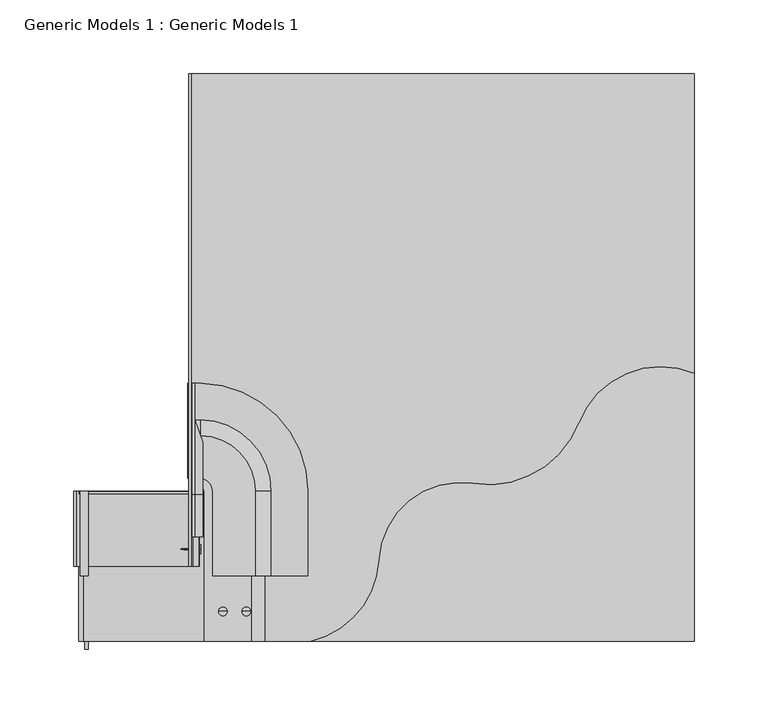
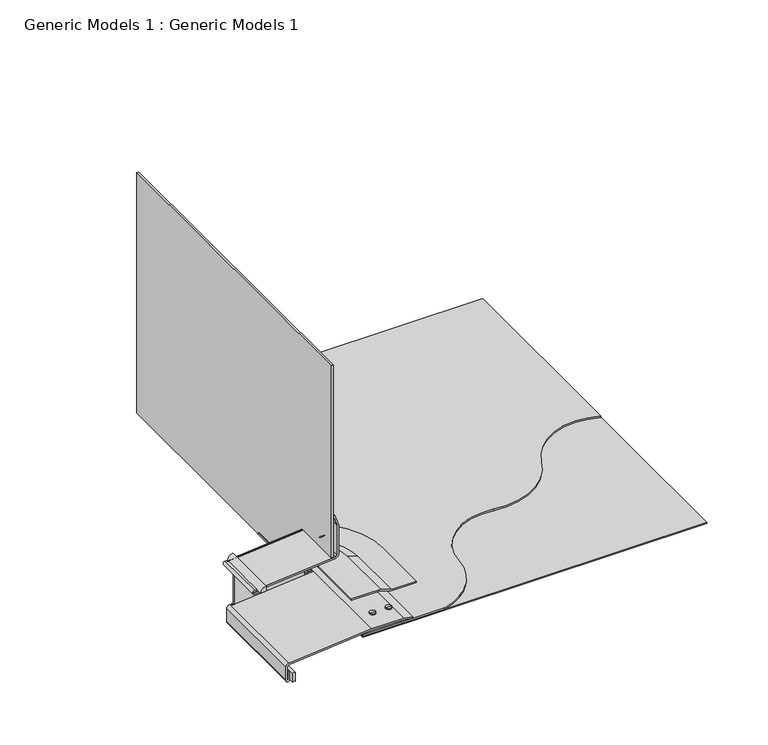
"""IFC4 building model written with IfcOpenShell, lengths in millimetres: proxy geometry, Generic Models 1 : Generic Models 1."""

from ifc_helpers import new_model, si_unit, point, frame, frame_2d, origin, place, context, project, spatial, polyline, circle_curve, trimmed, segment, composite_curve, outline, extrude, source, transform, mapped, element, save
from ifc_brep_helpers import plane_surface, cylinder_surface, revolved_surface, advanced_brep


def generic_models_1_generic_models_1_24d56587(model_context):
    return source(origin(), model_context, "Body", "SolidModel", [
        extrude(outline(composite_curve([segment(polyline([(348.3034303, -25.4), (357.2110691, -25.4)]), True, "CONTINUOUS"), segment(trimmed(circle_curve(frame_2d((357.2110691, -26.590625)), 1.190625), [point((357.2110691, -25.4))], [point((357.2110691, -27.78125))], False, "CARTESIAN"), True, "CONTINUOUS"), segment(polyline([(357.2110691, -27.78125), (348.3034303, -27.78125)]), True, "CONTINUOUS"), segment(trimmed(circle_curve(frame_2d((347.9308483, -26.590625)), 1.2475597), [point((348.3034303, -27.78125))], [point((348.3034303, -25.4))], True, "CARTESIAN"), True, "CONTINUOUS")], self_intersect=False)), frame((0.0, 3.5264576, 0.0), z_axis=(0.0, 1.0, 0.0), x_axis=(0.0, 0.0, 1.0)), (0.0, 0.0, 1.0), 106.9177285),
        extrude(outline(composite_curve([segment(trimmed(circle_curve(frame_2d((412.6374516, -25.4)), 5.394032), [point((418.0314836, -25.4))], [point((412.6374516, -30.794032))], False, "CARTESIAN"), True, "CONTINUOUS"), segment(polyline([(412.6374516, -30.794032), (413.1278182, -25.4), (418.0314836, -25.4)]), True, "CONTINUOUS")], self_intersect=False)), frame((0.0, 53.2941862, 0.0), z_axis=(0.0, 1.0, 0.0), x_axis=(0.0, 0.0, 1.0)), (0.0, 0.0, 1.0), 57.15),
        extrude(outline(composite_curve([segment(polyline([(44.45, 393.8469389), (385.7625, 393.8469389), (385.7625, 190.5484479)]), True, "CONTINUOUS"), segment(trimmed(circle_curve(frame_2d((362.7557693, 135.6910091)), 59.4865384), [point((385.7625, 190.5484479))], [point((307.2749003, 157.1507719))], True, "CARTESIAN"), True, "CONTINUOUS"), segment(trimmed(circle_curve(frame_2d((245.9110735, 180.8860377)), 65.7942405), [point((307.2749003, 157.1507719))], [point((235.7845032, 115.8757719))], False, "CARTESIAN"), True, "CONTINUOUS"), segment(trimmed(circle_curve(frame_2d((227.2163171, 60.8699764)), 55.6691239), [point((235.7845032, 115.8757719))], [point((171.6311041, 63.9253737))], True, "CARTESIAN"), True, "CONTINUOUS"), segment(trimmed(circle_curve(frame_2d((111.7794323, 67.2152888)), 59.9420233), [point((171.6311041, 63.9253737))], [point((125.4125, 8.8441862))], False, "CARTESIAN"), True, "CONTINUOUS"), segment(polyline([(125.4125, 8.8441862), (44.45, 8.8441862), (44.45, 393.8469389)]), True, "CONTINUOUS")], self_intersect=False)), frame((0.0, 0.0, 367.8873414), z_axis=(0.0, 0.0, 1.0), x_axis=(1.0, 0.0, 0.0)), (0.0, 0.0, 1.0), 1.5875),
        extrude(outline(polyline([(44.45, 393.8469389), (385.7625, 393.8469389), (385.7625, 8.8441862), (44.45, 8.8441862), (44.45, 393.8469389)])), frame((0.0, 0.0, 367.0935914), z_axis=(0.0, 0.0, 1.0), x_axis=(1.0, 0.0, 0.0)), (0.0, 0.0, 1.0), 0.79375),
        advanced_brep(
        [(37.30625, 71.3046159, 436.504844), (39.221851, 71.3046159, 436.2696378), (39.221851, 71.3046159, 436.7400502), (50.00625, 71.3046159, 436.2696378), (50.00625, 71.3046159, 436.7400502), (50.00625, 71.3046159, 433.5468939), (50.00625, 71.3046159, 439.4627941), (50.8, 71.3046159, 433.5468939), (50.8, 71.3046159, 439.4627941), (50.8, 71.3046159, 436.504844)],
        [
            (0, 1),
            (1, 2, circle_curve(frame((39.221851, 71.3046159, 436.504844), z_axis=(-1.0, 0.0, 0.0), x_axis=(0.0, 0.0, -1.0)), 0.2352062)),
            (2, 0),
            (2, 1, circle_curve(frame((39.221851, 71.3046159, 436.504844), z_axis=(-1.0, 0.0, 0.0), x_axis=(0.0, 0.0, -1.0)), 0.2352062)),
            (1, 3),
            (3, 4, circle_curve(frame((50.00625, 71.3046159, 436.504844), z_axis=(-1.0, 0.0, 0.0), x_axis=(0.0, 0.0, -1.0)), 0.2352062)),
            (4, 2),
            (4, 3, circle_curve(frame((50.00625, 71.3046159, 436.504844), z_axis=(-1.0, 0.0, 0.0), x_axis=(0.0, 0.0, -1.0)), 0.2352062)),
            (3, 5),
            (5, 6, circle_curve(frame((50.00625, 71.3046159, 436.504844), z_axis=(-1.0, 0.0, 0.0), x_axis=(0.0, 0.0, -1.0)), 2.9579501)),
            (6, 4),
            (6, 5, circle_curve(frame((50.00625, 71.3046159, 436.504844), z_axis=(-1.0, 0.0, 0.0), x_axis=(0.0, 0.0, -1.0)), 2.9579501)),
            (5, 7),
            (7, 8, circle_curve(frame((50.8, 71.3046159, 436.504844), z_axis=(-1.0, 0.0, 0.0), x_axis=(0.0, 0.0, -1.0)), 2.9579501)),
            (8, 6),
            (8, 7, circle_curve(frame((50.8, 71.3046159, 436.504844), z_axis=(-1.0, 0.0, 0.0), x_axis=(0.0, 0.0, -1.0)), 2.9579501)),
            (7, 9),
            (9, 8),
        ],
        [
            revolved_surface(polyline([(39.221851, 71.3046159, 436.2696378), (37.30625, 71.3046159, 436.504844)]), (47.082016, 71.3046159, 436.504844), (-1.0, 0.0, 0.0)),
            cylinder_surface(frame((47.082016, 71.3046159, 436.504844), z_axis=(-1.0, 0.0, 0.0), x_axis=(0.0, 0.0, -1.0)), 0.2352062),
            plane_surface(frame((50.00625, 71.3046159, 436.504844), z_axis=(-1.0, 0.0, 0.0), x_axis=(0.0, 0.0, -1.0))),
            cylinder_surface(frame((47.082016, 71.3046159, 436.504844), z_axis=(-1.0, 0.0, 0.0), x_axis=(0.0, 0.0, -1.0)), 2.9579501),
            plane_surface(frame((50.8, 71.3046159, 436.504844), z_axis=(1.0, 0.0, 0.0), x_axis=(0.0, 0.0, -1.0))),
        ],
        [
            (0, [[1, 2, 3]]),
            (0, [[-3, 4, -1]]),
            (1, [[-2, 5, 6, 7]]),
            (1, [[-4, -7, 8, -5]]),
            (2, [[-6, 9, 10, 11]]),
            (2, [[-8, -11, 12, -9]]),
            (3, [[-10, 13, 14, 15]]),
            (3, [[-12, -15, 16, -13]]),
            (4, [[-14, 17, 18]]),
            (4, [[-16, -18, -17]]),
        ],
    ),
        advanced_brep(
        [(82.0786761, 29.0837738, 361.8654423), (81.6082637, 29.0837738, 361.8654423), (81.8434699, 29.0837738, 359.9498414), (82.0786761, 29.0837738, 372.6498414), (81.6082637, 29.0837738, 372.6498414), (84.80142, 29.0837738, 372.6498414), (78.8855198, 29.0837738, 372.6498414), (84.80142, 29.0837738, 373.4435914), (78.8855198, 29.0837738, 373.4435914), (81.8434699, 29.0837738, 373.4435914)],
        [
            (0, 1, circle_curve(frame((81.8434699, 29.0837738, 361.8654423), z_axis=(0.0, 0.0, -1.0), x_axis=(-1.0, 0.0, 0.0)), 0.2352062)),
            (1, 2),
            (2, 0),
            (1, 0, circle_curve(frame((81.8434699, 29.0837738, 361.8654423), z_axis=(0.0, 0.0, -1.0), x_axis=(-1.0, 0.0, 0.0)), 0.2352062)),
            (3, 4, circle_curve(frame((81.8434699, 29.0837738, 372.6498414), z_axis=(0.0, 0.0, -1.0), x_axis=(-1.0, 0.0, 0.0)), 0.2352062)),
            (4, 1),
            (0, 3),
            (4, 3, circle_curve(frame((81.8434699, 29.0837738, 372.6498414), z_axis=(0.0, 0.0, -1.0), x_axis=(-1.0, 0.0, 0.0)), 0.2352062)),
            (5, 6, circle_curve(frame((81.8434699, 29.0837738, 372.6498414), z_axis=(0.0, 0.0, -1.0), x_axis=(-1.0, 0.0, 0.0)), 2.9579501)),
            (6, 4),
            (3, 5),
            (6, 5, circle_curve(frame((81.8434699, 29.0837738, 372.6498414), z_axis=(0.0, 0.0, -1.0), x_axis=(-1.0, 0.0, 0.0)), 2.9579501)),
            (7, 8, circle_curve(frame((81.8434699, 29.0837738, 373.4435914), z_axis=(0.0, 0.0, -1.0), x_axis=(-1.0, 0.0, 0.0)), 2.9579501)),
            (8, 6),
            (5, 7),
            (8, 7, circle_curve(frame((81.8434699, 29.0837738, 373.4435914), z_axis=(0.0, 0.0, -1.0), x_axis=(-1.0, 0.0, 0.0)), 2.9579501)),
            (9, 8),
            (7, 9),
        ],
        [
            revolved_surface(polyline([(81.8434699, 29.0837738, 359.9498414), (81.6082637, 29.0837738, 361.8654423)]), (81.8434699, 29.0837738, 369.7256073), (0.0, 0.0, 1.0)),
            cylinder_surface(frame((81.8434699, 29.0837738, 369.7256073), z_axis=(0.0, 0.0, 1.0), x_axis=(-1.0, 0.0, 0.0)), 0.2352062),
            plane_surface(frame((81.8434699, 29.0837738, 372.6498414), z_axis=(0.0, 0.0, -1.0), x_axis=(-1.0, 0.0, 0.0))),
            cylinder_surface(frame((81.8434699, 29.0837738, 369.7256073), z_axis=(0.0, 0.0, 1.0), x_axis=(-1.0, 0.0, 0.0)), 2.9579501),
            plane_surface(frame((81.8434699, 29.0837738, 373.4435914), z_axis=(0.0, 0.0, 1.0), x_axis=(-1.0, 0.0, 0.0))),
        ],
        [
            (0, [[1, 2, 3]]),
            (0, [[4, -3, -2]]),
            (1, [[5, 6, -1, 7]]),
            (1, [[8, -7, -4, -6]]),
            (2, [[9, 10, -5, 11]]),
            (2, [[12, -11, -8, -10]]),
            (3, [[13, 14, -9, 15]]),
            (3, [[16, -15, -12, -14]]),
            (4, [[17, -13, 18]]),
            (4, [[-18, -16, -17]]),
        ],
    ),
        advanced_brep(
        [(66.2036761, 29.0837738, 361.8654423), (65.7332637, 29.0837738, 361.8654423), (65.9684699, 29.0837738, 359.9498414), (66.2036761, 29.0837738, 372.6498414), (65.7332637, 29.0837738, 372.6498414), (68.92642, 29.0837738, 372.6498414), (63.0105198, 29.0837738, 372.6498414), (68.92642, 29.0837738, 373.4435914), (63.0105198, 29.0837738, 373.4435914), (65.9684699, 29.0837738, 373.4435914)],
        [
            (0, 1, circle_curve(frame((65.9684699, 29.0837738, 361.8654423), z_axis=(0.0, 0.0, -1.0), x_axis=(-1.0, 0.0, 0.0)), 0.2352062)),
            (1, 2),
            (2, 0),
            (1, 0, circle_curve(frame((65.9684699, 29.0837738, 361.8654423), z_axis=(0.0, 0.0, -1.0), x_axis=(-1.0, 0.0, 0.0)), 0.2352062)),
            (3, 4, circle_curve(frame((65.9684699, 29.0837738, 372.6498414), z_axis=(0.0, 0.0, -1.0), x_axis=(-1.0, 0.0, 0.0)), 0.2352062)),
            (4, 1),
            (0, 3),
            (4, 3, circle_curve(frame((65.9684699, 29.0837738, 372.6498414), z_axis=(0.0, 0.0, -1.0), x_axis=(-1.0, 0.0, 0.0)), 0.2352062)),
            (5, 6, circle_curve(frame((65.9684699, 29.0837738, 372.6498414), z_axis=(0.0, 0.0, -1.0), x_axis=(-1.0, 0.0, 0.0)), 2.9579501)),
            (6, 4),
            (3, 5),
            (6, 5, circle_curve(frame((65.9684699, 29.0837738, 372.6498414), z_axis=(0.0, 0.0, -1.0), x_axis=(-1.0, 0.0, 0.0)), 2.9579501)),
            (7, 8, circle_curve(frame((65.9684699, 29.0837738, 373.4435914), z_axis=(0.0, 0.0, -1.0), x_axis=(-1.0, 0.0, 0.0)), 2.9579501)),
            (8, 6),
            (5, 7),
            (8, 7, circle_curve(frame((65.9684699, 29.0837738, 373.4435914), z_axis=(0.0, 0.0, -1.0), x_axis=(-1.0, 0.0, 0.0)), 2.9579501)),
            (9, 8),
            (7, 9),
        ],
        [
            revolved_surface(polyline([(65.9684699, 29.0837738, 359.9498414), (65.7332637, 29.0837738, 361.8654423)]), (65.9684699, 29.0837738, 369.7256073), (0.0, 0.0, 1.0)),
            cylinder_surface(frame((65.9684699, 29.0837738, 369.7256073), z_axis=(0.0, 0.0, 1.0), x_axis=(-1.0, 0.0, 0.0)), 0.2352062),
            plane_surface(frame((65.9684699, 29.0837738, 372.6498414), z_axis=(0.0, 0.0, -1.0), x_axis=(-1.0, 0.0, 0.0))),
            cylinder_surface(frame((65.9684699, 29.0837738, 369.7256073), z_axis=(0.0, 0.0, 1.0), x_axis=(-1.0, 0.0, 0.0)), 2.9579501),
            plane_surface(frame((65.9684699, 29.0837738, 373.4435914), z_axis=(0.0, 0.0, 1.0), x_axis=(-1.0, 0.0, 0.0))),
        ],
        [
            (0, [[1, 2, 3]]),
            (0, [[4, -3, -2]]),
            (1, [[5, 6, -1, 7]]),
            (1, [[8, -7, -4, -6]]),
            (2, [[9, 10, -5, 11]]),
            (2, [[12, -11, -8, -10]]),
            (3, [[13, 14, -9, 15]]),
            (3, [[16, -15, -12, -14]]),
            (4, [[17, -13, 18]]),
            (4, [[-18, -16, -17]]),
        ],
    ),
        advanced_brep(
        [(87.9326669, 53.2941862, 375.0310914), (58.9603714, 53.2941862, 375.0310914), (58.9603714, 53.2941862, 373.4435914), (87.6527478, 53.2941862, 373.4435914), (98.5567989, 53.2941862, 369.4748414), (123.447393, 53.2941862, 369.4748414), (123.447393, 53.2941862, 371.0623414), (98.8367179, 53.2941862, 371.0623414), (42.1695051, 148.3601479, 375.0310914), (42.1695051, 159.2641989, 371.0623414), (42.1695051, 183.874874, 371.0623414), (42.1695051, 183.874874, 369.4748414), (42.1695051, 158.9842798, 369.4748414), (42.1695051, 148.0802288, 373.4435914), (42.1695051, 119.3878524, 373.4435914), (42.1695051, 119.3878524, 375.0310914), (87.9326669, 110.4441862, 375.0310914), (50.9453391, 148.358975, 375.0310914), (50.7005429, 119.3878524, 375.0310914), (58.9603714, 110.4441862, 375.0310914), (58.9603714, 110.4441862, 373.4435914), (50.7004035, 119.3713605, 373.4435914), (50.9429837, 148.0802288, 373.4435914), (87.6527478, 110.4441862, 373.4435914), (98.5567989, 110.4441862, 369.4748414), (51.0351155, 158.9838321, 369.4748414), (51.2454364, 183.874874, 369.4748414), (123.447393, 110.4441862, 369.4748414), (123.447393, 110.4441862, 371.0623414), (51.2454364, 183.8748739, 371.0623414), (51.0374845, 159.2641989, 371.0623414), (98.8367179, 110.4441862, 371.0623414)],
        [
            (0, 1),
            (1, 2),
            (2, 3),
            (3, 4),
            (4, 5),
            (5, 6),
            (6, 7),
            (7, 0),
            (8, 9),
            (9, 10),
            (10, 11),
            (11, 12),
            (12, 13),
            (13, 14),
            (14, 15),
            (15, 8),
            (0, 16),
            (16, 17, circle_curve(frame((50.00625, 110.4441862, 375.0310914), z_axis=(0.0, 0.0, 1.0), x_axis=(1.0, 0.0, 0.0)), 37.9264169)),
            (17, 8),
            (15, 18),
            (18, 19, circle_curve(frame((50.00625, 110.4441862, 375.0310914), z_axis=(0.0, 0.0, -1.0), x_axis=(1.0, 0.0, 0.0)), 8.9541214)),
            (19, 1),
            (19, 20),
            (20, 2),
            (20, 21, circle_curve(frame((50.00625, 110.4441862, 373.4435914), z_axis=(0.0, 0.0, 1.0), x_axis=(1.0, 0.0, 0.0)), 8.9541214)),
            (21, 14),
            (13, 22),
            (22, 23, circle_curve(frame((50.00625, 110.4441862, 373.4435914), z_axis=(0.0, 0.0, -1.0), x_axis=(1.0, 0.0, 0.0)), 37.6464978)),
            (23, 3),
            (23, 24),
            (24, 4),
            (24, 25, circle_curve(frame((50.00625, 110.4441862, 369.4748414), z_axis=(0.0, 0.0, 1.0), x_axis=(1.0, 0.0, 0.0)), 48.5505489)),
            (25, 12),
            (11, 26),
            (26, 27, circle_curve(frame((50.00625, 110.4441862, 369.4748414), z_axis=(0.0, 0.0, -1.0), x_axis=(1.0, 0.0, 0.0)), 73.441143)),
            (27, 5),
            (27, 28),
            (28, 6),
            (28, 29, circle_curve(frame((50.00625, 110.4441862, 371.0623414), z_axis=(0.0, 0.0, 1.0), x_axis=(1.0, 0.0, 0.0)), 73.441143)),
            (29, 10),
            (9, 30),
            (30, 31, circle_curve(frame((50.00625, 110.4441862, 371.0623414), z_axis=(0.0, 0.0, -1.0), x_axis=(1.0, 0.0, 0.0)), 48.8304679)),
            (31, 7),
            (31, 16),
            (18, 21),
            (22, 25),
            (26, 29),
            (30, 17),
        ],
        [
            plane_surface(frame((123.2307091, 53.2941862, 369.4748414), z_axis=(0.0, -1.0, 0.0), x_axis=(0.0, 0.0, 1.0))),
            plane_surface(frame((42.1695051, 183.6581901, 369.4748414), z_axis=(-1.0, 0.0, 0.0), x_axis=(0.0, 0.0, 1.0))),
            plane_surface(frame((87.9326669, 53.2941862, 375.0310914), z_axis=(0.0, 0.0, 1.0), x_axis=(0.0, 1.0, 0.0))),
            plane_surface(frame((58.9603714, 53.2941862, 375.0310914), z_axis=(-1.0, 0.0, 0.0), x_axis=(0.0, 1.0, 0.0))),
            plane_surface(frame((58.9603714, 53.2941862, 373.4435914), z_axis=(0.0, 0.0, -1.0), x_axis=(0.0, 1.0, 0.0))),
            plane_surface(frame((87.6527478, 53.2941862, 373.4435914), z_axis=(-0.34202014332567304, 0.0, -0.9396926207859069), x_axis=(0.0, 1.0, 0.0))),
            plane_surface(frame((98.5567989, 53.2941862, 369.4748414), z_axis=(0.0, 0.0, -1.0), x_axis=(0.0, 1.0, 0.0))),
            plane_surface(frame((123.447393, 53.2941862, 369.4748414), z_axis=(1.0, 0.0, 0.0), x_axis=(0.0, 1.0, 0.0))),
            plane_surface(frame((123.447393, 53.2941862, 371.0623414), z_axis=(0.0, 0.0, 1.0), x_axis=(0.0, 1.0, 0.0))),
            plane_surface(frame((98.8367179, 53.2941862, 371.0623414), z_axis=(0.34202014332567365, 0.0, 0.9396926207859067), x_axis=(0.0, 1.0, 0.0))),
            revolved_surface(polyline([(58.9603714, 110.4441862, 375.0310914), (58.9603714, 110.4441862, 373.4435914)]), (50.00625, 110.4441862, 369.4748414), (0.0, 0.0, 1.0)),
            revolved_surface(polyline([(87.6527478, 110.4441862, 373.4435914), (98.5567989, 110.4441862, 369.4748414)]), (50.00625, 110.4441862, 369.4748414), (0.0, 0.0, 1.0)),
            cylinder_surface(frame((50.00625, 110.4441862, 369.4748414), z_axis=(0.0, 0.0, 1.0), x_axis=(1.0, 0.0, 0.0)), 73.441143),
            revolved_surface(polyline([(98.8367179, 110.4441862, 371.0623414), (87.9326669, 110.4441862, 375.0310914)]), (50.00625, 110.4441862, 369.4748414), (0.0, 0.0, 1.0)),
            plane_surface(frame((50.7005429, 119.3878524, 375.0310914), z_axis=(0.0, -1.0, 0.0), x_axis=(-1.0, 0.0, 0.0))),
            plane_surface(frame((50.9429837, 148.0802288, 373.4435914), z_axis=(0.0, -0.3420201433256731, -0.9396926207859069), x_axis=(-1.0, 0.0, 0.0))),
            plane_surface(frame((51.2454364, 183.874874, 369.4748414), z_axis=(0.0, 1.0, 0.0), x_axis=(-1.0, 0.0, 0.0))),
            plane_surface(frame((51.0374845, 159.2641989, 371.0623414), z_axis=(0.0, 0.3420201433256737, 0.9396926207859067), x_axis=(-1.0, 0.0, 0.0))),
        ],
        [
            (0, [[1, 2, 3, 4, 5, 6, 7, 8]]),
            (1, [[9, 10, 11, 12, 13, 14, 15, 16]]),
            (2, [[-1, 17, 18, 19, -16, 20, 21, 22]]),
            (3, [[-2, -22, 23, 24]]),
            (4, [[-3, -24, 25, 26, -14, 27, 28, 29]]),
            (5, [[-4, -29, 30, 31]]),
            (6, [[-5, -31, 32, 33, -12, 34, 35, 36]]),
            (7, [[-6, -36, 37, 38]]),
            (8, [[-7, -38, 39, 40, -10, 41, 42, 43]]),
            (9, [[-8, -43, 44, -17]]),
            (10, [[-25, -23, -21, 45]]),
            (11, [[-32, -30, -28, 46]]),
            (12, [[-39, -37, -35, 47]]),
            (13, [[-18, -44, -42, 48]]),
            (14, [[-45, -20, -15, -26]]),
            (15, [[-46, -27, -13, -33]]),
            (16, [[-47, -34, -11, -40]]),
            (17, [[-48, -41, -9, -19]]),
        ],
    ),
        advanced_brep(
        [(45.24375, 158.9842798, 369.4748414), (45.24375, 183.874874, 369.4748414), (46.83125, 183.874874, 369.4748414), (46.83125, 159.2641989, 369.4748414), (52.3875, 143.9985275, 369.4748414), (52.3875, 119.3878524, 369.4748414), (50.8, 119.3878524, 369.4748414), (50.8, 143.7186084, 369.4748414), (45.24375, 158.9842798, 417.4974733), (45.24375, 108.4598112, 468.0219419), (45.24375, 79.6750939, 468.0219419), (45.24375, 79.6750939, 492.9125361), (45.24375, 108.4598112, 492.9125361), (45.24375, 183.874874, 417.4974733), (46.83125, 183.874874, 417.4974733), (46.83125, 108.4598112, 492.9125361), (46.83125, 79.6750939, 492.9125361), (46.83125, 79.6750939, 468.301861), (46.83125, 108.4598112, 468.301861), (46.83125, 159.2641989, 417.4974733), (52.3875, 143.9985275, 417.4974733), (52.3875, 108.4598112, 453.0361896), (52.3875, 79.6750939, 453.0361896), (52.3875, 79.6750939, 428.4255145), (52.3875, 108.4598112, 428.4255145), (52.3875, 119.3878524, 417.4974733), (50.8, 119.3878524, 417.4974733), (50.8, 108.4598112, 428.4255145), (50.8, 79.6750939, 428.4255145), (50.8, 79.6750939, 452.7562705), (50.8, 108.4598112, 452.7562705), (50.8, 143.7186084, 417.4974733)],
        [
            (0, 1),
            (1, 2),
            (2, 3),
            (3, 4),
            (4, 5),
            (5, 6),
            (6, 7),
            (7, 0),
            (0, 8),
            (8, 9, circle_curve(frame((45.24375, 108.4598112, 417.4974733), z_axis=(1.0, 0.0, 0.0), x_axis=(0.0, 1.0, 0.0)), 50.5244686)),
            (9, 10),
            (10, 11),
            (11, 12),
            (12, 13, circle_curve(frame((45.24375, 108.4598112, 417.4974733), z_axis=(-1.0, 0.0, 0.0), x_axis=(0.0, 1.0, 0.0)), 75.4150628)),
            (13, 1),
            (2, 14),
            (14, 15, circle_curve(frame((46.83125, 108.4598112, 417.4974733), z_axis=(1.0, 0.0, 0.0), x_axis=(0.0, 1.0, 0.0)), 75.4150628)),
            (15, 16),
            (16, 17),
            (17, 18),
            (18, 19, circle_curve(frame((46.83125, 108.4598112, 417.4974733), z_axis=(-1.0, 0.0, 0.0), x_axis=(0.0, 1.0, 0.0)), 50.8043877)),
            (19, 3),
            (19, 20),
            (20, 4),
            (20, 21, circle_curve(frame((52.3875, 108.4598112, 417.4974733), z_axis=(1.0, 0.0, 0.0), x_axis=(0.0, 1.0, 0.0)), 35.5387163)),
            (21, 22),
            (22, 23),
            (23, 24),
            (24, 25, circle_curve(frame((52.3875, 108.4598112, 417.4974733), z_axis=(-1.0, 0.0, 0.0), x_axis=(0.0, 1.0, 0.0)), 10.9280412)),
            (25, 5),
            (25, 26),
            (26, 6),
            (26, 27, circle_curve(frame((50.8, 108.4598112, 417.4974733), z_axis=(1.0, 0.0, 0.0), x_axis=(0.0, 1.0, 0.0)), 10.9280412)),
            (27, 28),
            (28, 29),
            (29, 30),
            (30, 31, circle_curve(frame((50.8, 108.4598112, 417.4974733), z_axis=(-1.0, 0.0, 0.0), x_axis=(0.0, 1.0, 0.0)), 35.2587972)),
            (31, 7),
            (31, 8),
            (18, 21),
            (24, 27),
            (30, 9),
            (10, 29),
            (28, 23),
            (22, 17),
            (16, 11),
            (13, 14),
            (12, 15),
        ],
        [
            plane_surface(frame((44.45, 154.5812212, 369.4748414), z_axis=(0.0, 0.0, -1.0), x_axis=(1.0, 0.0, 0.0))),
            plane_surface(frame((45.24375, 158.9842798, 369.4748414), z_axis=(-1.0, 0.0, 0.0), x_axis=(0.0, 0.0, 1.0))),
            plane_surface(frame((46.83125, 183.874874, 369.4748414), z_axis=(1.0, 0.0, 0.0), x_axis=(0.0, 0.0, 1.0))),
            plane_surface(frame((46.83125, 159.2641989, 369.4748414), z_axis=(0.9396926207859058, 0.34202014332567615, 0.0), x_axis=(0.0, 0.0, 1.0))),
            plane_surface(frame((52.3875, 143.9985275, 369.4748414), z_axis=(1.0, 0.0, 0.0), x_axis=(0.0, 0.0, 1.0))),
            plane_surface(frame((52.3875, 119.3878524, 369.4748414), z_axis=(0.0, -1.0, 0.0), x_axis=(0.0, 0.0, 1.0))),
            plane_surface(frame((50.8, 119.3878524, 369.4748414), z_axis=(-1.0, 0.0, 0.0), x_axis=(0.0, 0.0, 1.0))),
            plane_surface(frame((50.8, 143.7186084, 369.4748414), z_axis=(-0.939692620785906, -0.3420201433256756, 0.0), x_axis=(0.0, 0.0, 1.0))),
            revolved_surface(polyline([(46.83125, 159.2641989, 417.4974733), (52.3875, 143.9985275, 417.4974733)]), (44.45, 108.4598112, 417.4974733), (1.0, 0.0, 0.0)),
            revolved_surface(polyline([(52.3875, 119.3878524, 417.4974733), (50.8, 119.3878524, 417.4974733)]), (44.45, 108.4598112, 417.4974733), (1.0, 0.0, 0.0)),
            revolved_surface(polyline([(50.8, 143.7186084, 417.4974733), (45.24375, 158.9842798, 417.4974733)]), (44.45, 108.4598112, 417.4974733), (1.0, 0.0, 0.0)),
            plane_surface(frame((44.45, 79.6750939, 463.6188833), z_axis=(0.0, -1.0, 0.0), x_axis=(1.0, 0.0, 0.0))),
            plane_surface(frame((46.83125, 108.4598112, 468.301861), z_axis=(0.9396926207859074, 0.0, 0.34202014332567143), x_axis=(0.0, -1.0, 0.0))),
            plane_surface(frame((52.3875, 108.4598112, 428.4255145), z_axis=(0.0, 0.0, -1.0), x_axis=(0.0, -1.0, 0.0))),
            plane_surface(frame((50.8, 108.4598112, 452.7562705), z_axis=(-0.9396926207859077, 0.0, -0.3420201433256709), x_axis=(0.0, -1.0, 0.0))),
            plane_surface(frame((45.24375, 183.874874, 369.4748414), z_axis=(0.0, 1.0, 0.0), x_axis=(0.0, 0.0, 1.0))),
            cylinder_surface(frame((44.45, 108.4598112, 417.4974733), z_axis=(1.0, 0.0, 0.0), x_axis=(0.0, 1.0, 0.0)), 75.4150628),
            plane_surface(frame((45.24375, 108.4598112, 492.9125361), z_axis=(0.0, 0.0, 1.0), x_axis=(0.0, -1.0, 0.0))),
        ],
        [
            (0, [[1, 2, 3, 4, 5, 6, 7, 8]]),
            (1, [[-1, 9, 10, 11, 12, 13, 14, 15]]),
            (2, [[-3, 16, 17, 18, 19, 20, 21, 22]]),
            (3, [[-4, -22, 23, 24]]),
            (4, [[-5, -24, 25, 26, 27, 28, 29, 30]]),
            (5, [[-6, -30, 31, 32]]),
            (6, [[-7, -32, 33, 34, 35, 36, 37, 38]]),
            (7, [[-8, -38, 39, -9]]),
            (8, [[-25, -23, -21, 40]]),
            (9, [[-33, -31, -29, 41]]),
            (10, [[-10, -39, -37, 42]]),
            (11, [[43, -35, 44, -27, 45, -19, 46, -12]]),
            (12, [[-40, -20, -45, -26]]),
            (13, [[-41, -28, -44, -34]]),
            (14, [[-42, -36, -43, -11]]),
            (15, [[-2, -15, 47, -16]]),
            (16, [[-17, -47, -14, 48]]),
            (17, [[-48, -13, -46, -18]]),
        ],
    ),
        extrude(outline(polyline([(59.6441862, 621.7129392), (393.8469389, 621.7129392), (393.8469389, 369.4748414), (110.4441862, 369.4748414), (110.4441862, 420.1305232), (59.6441862, 420.1305232), (59.6441862, 621.7129392)])), frame((42.8625, 0.0, 0.0), z_axis=(1.0, 0.0, 0.0), x_axis=(0.0, 1.0, 0.0)), (0.0, 0.0, 1.0), 1.5875),
        advanced_brep(
        [(-27.3562252, 110.4441862, 365.3380723), (-27.2124997, 108.8566862, 363.7570919), (-27.3562252, 108.8566862, 365.3380723), (-31.649102, 108.8566862, 412.559718), (-31.5053765, 110.4441862, 410.9787375), (-31.5053765, 108.8566862, 410.9787375), (48.9240827, 110.4441862, 418.2905065), (48.7803572, 108.8566862, 419.871487), (48.9240827, 108.8566862, 418.2905065), (53.2169596, 108.8566862, 371.0688609), (53.0732341, 110.4441862, 372.6498414), (53.0732341, 108.8566862, 372.6498414), (-25.4, 110.4441862, 411.5337717), (44.45, 110.4441862, 417.8837717), (44.45, 110.4441862, 371.865911), (-25.4, 110.4441862, 365.515911), (44.45, 108.8566862, 371.865911), (44.45, 108.8566862, 417.8837717), (-25.4, 108.8566862, 411.5337717), (-25.4, 108.8566862, 365.515911)],
        [
            (0, 1, circle_curve(frame((-27.3562252, 108.8566862, 365.3380723), z_axis=(-0.9958932064677043, 0.0, -0.09053574604251403), x_axis=(0.09053574604251403, 0.0, -0.9958932064677043)), 1.5875)),
            (1, 2),
            (2, 0),
            (3, 4, circle_curve(frame((-31.5053765, 108.8566862, 410.9787375), z_axis=(-0.9958932064677043, 0.0, -0.09053574604251403), x_axis=(0.09053574604251403, 0.0, -0.9958932064677043)), 1.5875)),
            (4, 5),
            (5, 3),
            (6, 7, circle_curve(frame((48.9240827, 108.8566862, 418.2905065), z_axis=(0.9958932064677043, 0.0, 0.09053574604251403), x_axis=(0.09053574604251403, 0.0, -0.9958932064677043)), 1.5875)),
            (7, 8),
            (8, 6),
            (9, 10, circle_curve(frame((53.0732341, 108.8566862, 372.6498414), z_axis=(0.9958932064677043, 0.0, 0.09053574604251403), x_axis=(0.09053574604251403, 0.0, -0.9958932064677043)), 1.5875)),
            (10, 11),
            (11, 9),
            (12, 13),
            (13, 14),
            (14, 15),
            (15, 12),
            (0, 15),
            (14, 10),
            (9, 1),
            (11, 16),
            (16, 17),
            (17, 8),
            (7, 3),
            (5, 18),
            (18, 19),
            (19, 2),
            (6, 13),
            (12, 4),
            (17, 13),
            (14, 16),
            (15, 19),
            (18, 12),
        ],
        [
            plane_surface(frame((-27.3562252, 110.4441862, 365.3380723), z_axis=(-0.9958932064677043, 0.0, -0.09053574604251402), x_axis=(0.0, 1.0, 0.0))),
            plane_surface(frame((53.0732341, 110.4441862, 372.6498414), z_axis=(0.9958932064677043, 0.0, 0.09053574604251402), x_axis=(0.0, 1.0, 0.0))),
            plane_surface(frame((-31.5053765, 110.4441862, 410.9787375), z_axis=(0.0, 1.0, 0.0), x_axis=(0.9958932064677043, 0.0, 0.0905357460425142))),
            cylinder_surface(frame((-27.3562252, 108.8566862, 365.3380723), z_axis=(-0.9958932064677043, 0.0, -0.09053574604251403), x_axis=(0.09053574604251403, 0.0, -0.9958932064677043)), 1.5875),
            plane_surface(frame((-27.2124997, 108.8566862, 363.7570919), z_axis=(0.0, -1.0, 0.0), x_axis=(0.9958932064677043, 0.0, 0.0905357460425142))),
            cylinder_surface(frame((-31.5053765, 108.8566862, 410.9787375), z_axis=(-0.9958932064677043, 0.0, -0.09053574604251403), x_axis=(0.09053574604251403, 0.0, -0.9958932064677043)), 1.5875),
            plane_surface(frame((44.45, 110.4441862, 417.8837717), z_axis=(0.09053574604250732, 0.0, -0.9958932064677049), x_axis=(0.0, -1.0, 0.0))),
            plane_surface(frame((53.0732341, 110.4441862, 372.6498414), z_axis=(-0.09053574604251792, 0.0, 0.995893206467704), x_axis=(0.0, -1.0, 0.0))),
            plane_surface(frame((44.45, 110.4441862, 371.865911), z_axis=(1.0, 0.0, 0.0), x_axis=(0.0, -1.0, 0.0))),
            plane_surface(frame((-25.4, 110.4441862, 411.5337717), z_axis=(-1.0, 0.0, 0.0), x_axis=(0.0, -1.0, 0.0))),
            plane_surface(frame((-25.4, 110.4441862, 365.515911), z_axis=(-0.09053574604252418, 0.0, 0.9958932064677034), x_axis=(0.0, -1.0, 0.0))),
            plane_surface(frame((-31.5053765, 110.4441862, 410.9787375), z_axis=(0.09053574604251742, 0.0, -0.995893206467704), x_axis=(0.0, -1.0, 0.0))),
        ],
        [
            (0, [[1, 2, 3]]),
            (0, [[4, 5, 6]]),
            (1, [[7, 8, 9]]),
            (1, [[10, 11, 12]]),
            (2, [[13, 14, 15, 16]]),
            (3, [[-1, 17, -15, 18, -10, 19]]),
            (4, [[-19, -12, 20, 21, 22, -8, 23, -6, 24, 25, 26, -2]]),
            (5, [[-4, -23, -7, 27, -13, 28]]),
            (6, [[29, -27, -9, -22]]),
            (7, [[30, -20, -11, -18]]),
            (8, [[-29, -21, -30, -14]]),
            (9, [[31, -25, 32, -16]]),
            (10, [[-31, -17, -3, -26]]),
            (11, [[-32, -24, -5, -28]]),
        ],
    ),
        advanced_brep(
        [(-33.4708551, 110.4441862, 412.3941041), (46.9749755, 110.4441862, 419.7073614), (48.41875, 110.4441862, 421.2883418), (48.41875, 110.4441862, 452.3363919), (44.5098791, 110.4441862, 463.0759264), (46.0016412, 110.4441862, 463.6188833), (49.8147741, 110.4441862, 453.1423868), (50.00625, 110.4441862, 452.0564728), (50.00625, 110.4441862, 421.2883418), (47.118701, 110.4441862, 418.1263809), (44.45, 110.4441862, 417.8837717), (-25.4, 110.4441862, 411.5337717), (-31.5053765, 110.4441862, 410.9787375), (-33.3271296, 110.4441862, 410.8131236), (-33.2552668, 110.4441862, 410.0226334), (-31.4335138, 110.4441862, 410.1882473), (-31.2897883, 110.4441862, 408.6072668), (-33.1115413, 110.4441862, 408.4416529), (-33.4708551, 59.6441862, 412.3941041), (-33.1115413, 59.6441862, 408.4416529), (-27.8163804, 59.6441862, 408.9230312), (-27.9601059, 59.6441862, 410.5040116), (-33.2552668, 59.6441862, 410.0226334), (-33.3271296, 59.6441862, 410.8131236), (47.118701, 59.6441862, 418.1263809), (50.00625, 59.6441862, 421.2883418), (50.00625, 59.6441862, 452.0564728), (49.8147741, 59.6441862, 453.1423868), (46.0016412, 59.6441862, 463.6188833), (44.5098791, 59.6441862, 463.0759264), (48.41875, 59.6441862, 452.3363919), (48.41875, 59.6441862, 421.2883418), (46.9749755, 59.6441862, 419.7073614), (-31.2897883, 108.8566862, 408.6072668), (-27.8163804, 108.8566862, 408.9230312), (-27.9601059, 108.8566862, 410.5040116), (-31.4335138, 108.8566862, 410.1882473), (47.118701, 108.8566862, 418.1263809)],
        [
            (0, 1),
            (1, 2, circle_curve(frame((46.83125, 110.4441862, 421.2883418), z_axis=(0.0, -1.0, 0.0), x_axis=(1.0, 0.0, 0.0)), 1.5875)),
            (2, 3),
            (3, 4),
            (4, 5),
            (5, 6),
            (6, 7, circle_curve(frame((46.83125, 110.4441862, 452.0564728), z_axis=(0.0, 1.0, 0.0), x_axis=(1.0, 0.0, 0.0)), 3.175)),
            (7, 8),
            (8, 9, circle_curve(frame((46.83125, 110.4441862, 421.2883418), z_axis=(0.0, 1.0, 0.0), x_axis=(1.0, 0.0, 0.0)), 3.175)),
            (9, 10),
            (10, 11),
            (11, 12),
            (12, 13),
            (13, 14, circle_curve(frame((-33.2911982, 110.4441862, 410.4178785), z_axis=(0.0, -1.0, 0.0), x_axis=(1.0, 0.0, 0.0)), 0.396875)),
            (14, 15),
            (15, 16),
            (16, 17),
            (17, 0, circle_curve(frame((-33.2911982, 110.4441862, 410.4178785), z_axis=(0.0, 1.0, 0.0), x_axis=(1.0, 0.0, 0.0)), 1.984375)),
            (18, 19, circle_curve(frame((-33.2911982, 59.6441862, 410.4178785), z_axis=(0.0, -1.0, 0.0), x_axis=(1.0, 0.0, 0.0)), 1.984375)),
            (19, 20),
            (20, 21),
            (21, 22),
            (22, 23, circle_curve(frame((-33.2911982, 59.6441862, 410.4178785), z_axis=(0.0, 1.0, 0.0), x_axis=(1.0, 0.0, 0.0)), 0.396875)),
            (23, 24),
            (24, 25, circle_curve(frame((46.83125, 59.6441862, 421.2883418), z_axis=(0.0, -1.0, 0.0), x_axis=(1.0, 0.0, 0.0)), 3.175)),
            (25, 26),
            (26, 27, circle_curve(frame((46.83125, 59.6441862, 452.0564728), z_axis=(0.0, -1.0, 0.0), x_axis=(1.0, 0.0, 0.0)), 3.175)),
            (27, 28),
            (28, 29),
            (29, 30),
            (30, 31),
            (31, 32, circle_curve(frame((46.83125, 59.6441862, 421.2883418), z_axis=(0.0, 1.0, 0.0), x_axis=(1.0, 0.0, 0.0)), 1.5875)),
            (32, 18),
            (17, 19),
            (18, 0),
            (16, 33),
            (33, 34),
            (34, 20),
            (34, 35),
            (35, 21),
            (35, 36),
            (36, 15),
            (14, 22),
            (13, 23),
            (9, 37),
            (37, 24),
            (8, 25),
            (7, 26),
            (6, 27),
            (5, 28),
            (4, 29),
            (3, 30),
            (2, 31),
            (1, 32),
            (33, 36),
        ],
        [
            plane_surface(frame((-31.3068232, 110.4441862, 410.4178785), z_axis=(0.0, 1.0, 0.0), x_axis=(0.0, 0.0, -1.0))),
            plane_surface(frame((-31.3068232, 59.6441862, 410.4178785), z_axis=(0.0, -1.0, 0.0), x_axis=(0.0, 0.0, 1.0))),
            cylinder_surface(frame((-33.2911982, 110.4441862, 410.4178785), z_axis=(0.0, -1.0, 0.0), x_axis=(1.0, 0.0, 0.0)), 1.984375),
            plane_surface(frame((-33.1115413, 59.6441862, 408.4416529), z_axis=(0.0905357460425186, 0.0, -0.9958932064677039), x_axis=(0.0, 1.0, 0.0))),
            plane_surface(frame((-27.8163804, 59.6441862, 408.9230312), z_axis=(0.9958932064677049, 0.0, 0.09053574604250797), x_axis=(0.0, 1.0, 0.0))),
            plane_surface(frame((-27.9601059, 59.6441862, 410.5040116), z_axis=(-0.09053574604251867, 0.0, 0.9958932064677039), x_axis=(0.0, 1.0, 0.0))),
            revolved_surface(polyline([(-32.894323199999995, 110.4441862, 410.4178785), (-32.894323199999995, 59.6441862, 410.4178785)]), (-33.2911982, 110.4441862, 410.4178785), (0.0, 1.0, 0.0)),
            plane_surface(frame((-33.3271296, 59.6441862, 410.8131236), z_axis=(0.09053574604251521, 0.0, -0.9958932064677042), x_axis=(0.0, 1.0, 0.0))),
            cylinder_surface(frame((46.83125, 110.4441862, 421.2883418), z_axis=(0.0, -1.0, 0.0), x_axis=(1.0, 0.0, 0.0)), 3.175),
            plane_surface(frame((50.00625, 59.6441862, 421.2883418), z_axis=(1.0, 0.0, 0.0), x_axis=(0.0, 1.0, 0.0))),
            cylinder_surface(frame((46.83125, 110.4441862, 452.0564728), z_axis=(0.0, -1.0, 0.0), x_axis=(1.0, 0.0, 0.0)), 3.175),
            plane_surface(frame((49.8147741, 59.6441862, 453.1423868), z_axis=(0.9396926207859084, 0.0, 0.3420201433256689), x_axis=(0.0, 1.0, 0.0))),
            plane_surface(frame((46.0016412, 59.6441862, 463.6188833), z_axis=(-0.342020143325656, 0.0, 0.9396926207859131), x_axis=(0.0, 1.0, 0.0))),
            plane_surface(frame((44.5098791, 59.6441862, 463.0759264), z_axis=(-0.9396926207859091, 0.0, -0.3420201433256669), x_axis=(0.0, 1.0, 0.0))),
            plane_surface(frame((48.41875, 59.6441862, 452.3363919), z_axis=(-1.0, 0.0, 0.0), x_axis=(0.0, 1.0, 0.0))),
            revolved_surface(polyline([(48.418749999999996, 110.4441862, 421.2883418), (48.418749999999996, 59.6441862, 421.2883418)]), (46.83125, 110.4441862, 421.2883418), (0.0, 1.0, 0.0)),
            plane_surface(frame((46.9749755, 59.6441862, 419.7073614), z_axis=(-0.09053574604251607, 0.0, 0.9958932064677041), x_axis=(0.0, 1.0, 0.0))),
            plane_surface(frame((47.118701, 108.8566862, 418.1263809), z_axis=(0.0, 1.0, 0.0), x_axis=(-0.9958932064677049, 0.0, -0.09053574604250732))),
            plane_surface(frame((-27.3562252, 110.4441862, 365.3380723), z_axis=(0.9958932064677043, 0.0, 0.09053574604251355), x_axis=(0.0, -1.0, 0.0))),
        ],
        [
            (0, [[1, 2, 3, 4, 5, 6, 7, 8, 9, 10, 11, 12, 13, 14, 15, 16, 17, 18]]),
            (1, [[19, 20, 21, 22, 23, 24, 25, 26, 27, 28, 29, 30, 31, 32, 33]]),
            (2, [[-18, 34, -19, 35]]),
            (3, [[-20, -34, -17, 36, 37, 38]]),
            (4, [[-21, -38, 39, 40]]),
            (5, [[-22, -40, 41, 42, -15, 43]]),
            (6, [[-14, 44, -23, -43]]),
            (7, [[-24, -44, -13, -12, -11, -10, 45, 46]]),
            (8, [[-9, 47, -25, -46, -45]]),
            (9, [[-8, 48, -26, -47]]),
            (10, [[-7, 49, -27, -48]]),
            (11, [[-6, 50, -28, -49]]),
            (12, [[-5, 51, -29, -50]]),
            (13, [[-4, 52, -30, -51]]),
            (14, [[-3, 53, -31, -52]]),
            (15, [[-2, 54, -32, -53]]),
            (16, [[-1, -35, -33, -54]]),
            (17, [[55, -41, -39, -37]]),
            (18, [[-55, -36, -16, -42]]),
        ],
    ),
        advanced_brep(
        [(-28.7187255, 110.4441862, 363.6201623), (-30.1625, 110.4441862, 362.0391818), (-30.1625, 110.4441862, 348.3034303), (-29.36875, 110.4441862, 348.3034303), (-29.36875, 110.4441862, 357.2110691), (-27.78125, 110.4441862, 357.2110691), (-27.78125, 110.4441862, 348.3034303), (-31.75, 110.4441862, 348.3034303), (-31.75, 110.4441862, 362.0391818), (-28.862451, 110.4441862, 365.2011427), (-27.3562252, 110.4441862, 365.3380723), (-25.4, 110.4441862, 365.515911), (44.45, 110.4441862, 371.865911), (50.3488276, 110.4441862, 372.4021681), (50.3488276, 110.4441862, 370.8081216), (-28.7187255, 8.8441862, 363.6201623), (53.1452447, 8.8441862, 371.0623414), (85.0457579, 8.8441862, 371.0623414), (94.0489178, 8.8441862, 369.4748414), (94.3245843, 8.8441862, 371.0382237), (85.1846461, 8.8441862, 372.6498414), (53.0732341, 8.8441862, 372.6498414), (-28.862451, 8.8441862, 365.2011427), (-31.75, 8.8441862, 362.0391818), (-31.75, 8.8441862, 348.3034303), (-27.78125, 8.8441862, 348.3034303), (-27.78125, 8.8441862, 357.2110691), (-29.36875, 8.8441862, 357.2110691), (-29.36875, 8.8441862, 348.3034303), (-30.1625, 8.8441862, 348.3034303), (-30.1625, 8.8441862, 362.0391818), (53.0732341, 110.4441862, 372.6498414), (85.1846461, 110.4441862, 372.6498414), (46.7522936, 145.7487905, 372.6498414), (49.471582, 113.7527242, 372.6498414), (94.3245843, 109.3622257, 371.0382237), (94.3245843, 110.4441862, 371.0382237), (94.0489178, 109.3622257, 369.4748414), (94.0489178, 110.4441862, 369.4748414), (85.0457579, 110.4441862, 371.0623414), (53.1452447, 110.4441862, 371.0623414), (49.465484, 113.8244762, 371.0623414), (46.7640551, 145.6104011, 371.0623414), (45.9782969, 154.8558974, 371.0382237), (46.0016412, 154.5812212, 369.4748414), (49.7022927, 111.038104, 370.8081216), (49.7022927, 111.038104, 372.4021681)],
        [
            (0, 1, circle_curve(frame((-28.575, 110.4441862, 362.0391818), z_axis=(0.0, -1.0, 0.0), x_axis=(1.0, 0.0, 0.0)), 1.5875)),
            (1, 2),
            (2, 3, circle_curve(frame((-29.765625, 110.4441862, 348.3034303), z_axis=(0.0, -1.0, 0.0), x_axis=(1.0, 0.0, 0.0)), 0.396875)),
            (3, 4),
            (4, 5),
            (5, 6),
            (6, 7, circle_curve(frame((-29.765625, 110.4441862, 348.3034303), z_axis=(0.0, 1.0, 0.0), x_axis=(1.0, 0.0, 0.0)), 1.984375)),
            (7, 8),
            (8, 9, circle_curve(frame((-28.575, 110.4441862, 362.0391818), z_axis=(0.0, 1.0, 0.0), x_axis=(1.0, 0.0, 0.0)), 3.175)),
            (9, 10),
            (10, 11),
            (11, 12),
            (12, 13),
            (13, 14),
            (14, 0),
            (15, 16),
            (16, 17),
            (17, 18),
            (18, 19),
            (19, 20),
            (20, 21),
            (21, 22),
            (22, 23, circle_curve(frame((-28.575, 8.8441862, 362.0391818), z_axis=(0.0, -1.0, 0.0), x_axis=(1.0, 0.0, 0.0)), 3.175)),
            (23, 24),
            (24, 25, circle_curve(frame((-29.765625, 8.8441862, 348.3034303), z_axis=(0.0, -1.0, 0.0), x_axis=(1.0, 0.0, 0.0)), 1.984375)),
            (25, 26),
            (26, 27),
            (27, 28),
            (28, 29, circle_curve(frame((-29.765625, 8.8441862, 348.3034303), z_axis=(0.0, 1.0, 0.0), x_axis=(1.0, 0.0, 0.0)), 0.396875)),
            (29, 30),
            (30, 15, circle_curve(frame((-28.575, 8.8441862, 362.0391818), z_axis=(0.0, 1.0, 0.0), x_axis=(1.0, 0.0, 0.0)), 1.5875)),
            (0, 15),
            (30, 1),
            (29, 2),
            (28, 3),
            (27, 4),
            (26, 5),
            (25, 6),
            (24, 7),
            (23, 8),
            (22, 9),
            (21, 31),
            (31, 13),
            (20, 32),
            (32, 33, circle_curve(frame((49.7527688, 110.4441862, 372.6498414), z_axis=(0.0, 0.0, 1.0), x_axis=(-0.08468292788486079, 0.9964079494488427, 0.0)), 35.4318774)),
            (33, 34),
            (34, 31, circle_curve(frame((49.7527688, 110.4441862, 372.6498414), z_axis=(0.0, 0.0, -1.0), x_axis=(-0.08468292788486079, 0.9964079494488427, 0.0)), 3.3204653)),
            (19, 35),
            (35, 36),
            (36, 32),
            (18, 37),
            (37, 38),
            (38, 36),
            (17, 39),
            (39, 38),
            (16, 40),
            (40, 41, circle_curve(frame((49.7527688, 110.4441862, 371.0623414), z_axis=(0.0, 0.0, 1.0), x_axis=(-0.08468292788486079, 0.9964079494488427, 0.0)), 3.3924759)),
            (41, 42),
            (42, 39, circle_curve(frame((49.7527688, 110.4441862, 371.0623414), z_axis=(0.0, 0.0, -1.0), x_axis=(-0.08468292788486079, 0.9964079494488427, 0.0)), 35.2929891)),
            (14, 40),
            (33, 43),
            (43, 44),
            (44, 42),
            (41, 45),
            (45, 46),
            (46, 34),
            (36, 43, circle_curve(frame((49.7527688, 110.4441862, 371.0382237), z_axis=(0.0, 0.0, 1.0), x_axis=(-0.08468292788486079, 0.9964079494488427, 0.0)), 44.5718155)),
            (38, 44, circle_curve(frame((49.7527688, 110.4441862, 369.4748414), z_axis=(0.0, 0.0, 1.0), x_axis=(-0.08468292788486079, 0.9964079494488427, 0.0)), 44.296149)),
            (14, 45, circle_curve(frame((49.7527688, 110.4441862, 370.8081216), z_axis=(0.0, 0.0, 1.0), x_axis=(-0.08468292788486079, 0.9964079494488427, 0.0)), 0.5960589)),
            (13, 46, circle_curve(frame((49.7527688, 110.4441862, 372.4021681), z_axis=(0.0, 0.0, 1.0), x_axis=(-0.08468292788486079, 0.9964079494488427, 0.0)), 0.5960589)),
        ],
        [
            plane_surface(frame((44.3781373, 110.4441862, 370.2653316), z_axis=(0.0, 1.0, 0.0), x_axis=(-0.9958932064677043, 0.0, -0.090535746042514))),
            plane_surface(frame((44.3781373, 8.8441862, 370.2653316), z_axis=(0.0, -1.0, 0.0), x_axis=(0.9958932064677043, 0.0, 0.090535746042514))),
            revolved_surface(polyline([(-26.9875, 110.4441862, 362.0391818), (-26.9875, 8.844186199999996, 362.0391818)]), (-28.575, 110.4441862, 362.0391818), (0.0, 1.0, 0.0)),
            plane_surface(frame((-30.1625, 8.8441862, 348.3034303), z_axis=(1.0, 0.0, 0.0), x_axis=(0.0, 1.0, 0.0))),
            revolved_surface(polyline([(-29.36875, 110.4441862, 348.3034303), (-29.36875, 8.844186199999996, 348.3034303)]), (-29.765625, 110.4441862, 348.3034303), (0.0, 1.0, 0.0)),
            plane_surface(frame((-29.36875, 8.8441862, 357.2110691), z_axis=(-1.0, 0.0, 0.0), x_axis=(0.0, 1.0, 0.0))),
            plane_surface(frame((-27.78125, 8.8441862, 357.2110691), z_axis=(0.0, 0.0, 1.0), x_axis=(0.0, 1.0, 0.0))),
            plane_surface(frame((-27.78125, 8.8441862, 348.3034303), z_axis=(1.0, 0.0, 0.0), x_axis=(0.0, 1.0, 0.0))),
            cylinder_surface(frame((-29.765625, 110.4441862, 348.3034303), z_axis=(0.0, -1.0, 0.0), x_axis=(1.0, 0.0, 0.0)), 1.984375),
            plane_surface(frame((-31.75, 8.8441862, 362.0391818), z_axis=(-1.0, 0.0, 0.0), x_axis=(0.0, 1.0, 0.0))),
            cylinder_surface(frame((-28.575, 110.4441862, 362.0391818), z_axis=(0.0, -1.0, 0.0), x_axis=(1.0, 0.0, 0.0)), 3.175),
            plane_surface(frame((53.0732341, 8.8441862, 372.6498414), z_axis=(-0.09053574604251406, 0.0, 0.9958932064677043), x_axis=(0.0, 1.0, 0.0))),
            plane_surface(frame((85.1846461, 8.8441862, 372.6498414), z_axis=(0.0, 0.0, 1.0), x_axis=(0.0, 1.0, 0.0))),
            plane_surface(frame((94.3245843, 8.8441862, 371.0382237), z_axis=(0.1736481776669323, 0.0, 0.9848077530122078), x_axis=(0.0, 1.0, 0.0))),
            plane_surface(frame((94.0489178, 8.8441862, 369.4748414), z_axis=(0.9848077530122102, 0.0, -0.17364817766691776), x_axis=(0.0, 1.0, 0.0))),
            plane_surface(frame((85.0457579, 8.8441862, 371.0623414), z_axis=(-0.17364817766693175, 0.0, -0.9848077530122079), x_axis=(0.0, 1.0, 0.0))),
            plane_surface(frame((53.1452447, 8.8441862, 371.0623414), z_axis=(0.0, 0.0, -1.0), x_axis=(0.0, 1.0, 0.0))),
            plane_surface(frame((-28.7187255, 8.8441862, 363.6201623), z_axis=(0.090535746042514, 0.0, -0.9958932064677043), x_axis=(0.0, 1.0, 0.0))),
            plane_surface(frame((46.0016412, 154.5812212, 369.4748414), z_axis=(-0.9964079494488427, -0.08468292788486079, 0.0), x_axis=(0.0, 0.0, 1.0))),
            revolved_surface(polyline([(46.7522936, 145.7487905, 372.6498414), (45.9782969, 154.8558974, 371.0382237)]), (49.7527688, 110.4441862, 369.4748414), (0.0, 0.0, -1.0)),
            revolved_surface(polyline([(45.9782969, 154.8558974, 371.0382237), (46.0016412, 154.5812212, 369.4748414)]), (49.7527688, 110.4441862, 369.4748414), (0.0, 0.0, -1.0)),
            revolved_surface(polyline([(46.0016412, 154.5812212, 369.4748414), (46.7640551, 145.6104011, 371.0623414)]), (49.7527688, 110.4441862, 369.4748414), (0.0, 0.0, -1.0)),
            revolved_surface(polyline([(49.465484, 113.8244762, 371.0623414), (49.7022927, 111.038104, 370.8081216)]), (49.7527688, 110.4441862, 369.4748414), (0.0, 0.0, -1.0)),
            revolved_surface(polyline([(49.70229278715617, 111.03810402629973, 370.8081216), (49.70229278715617, 111.03810402629973, 372.4021681)]), (49.7527688, 110.4441862, 369.4748414), (0.0, 0.0, -1.0)),
            revolved_surface(polyline([(49.7022927, 111.038104, 372.4021681), (49.471582, 113.7527242, 372.6498414)]), (49.7527688, 110.4441862, 369.4748414), (0.0, 0.0, -1.0)),
        ],
        [
            (0, [[1, 2, 3, 4, 5, 6, 7, 8, 9, 10, 11, 12, 13, 14, 15]]),
            (1, [[16, 17, 18, 19, 20, 21, 22, 23, 24, 25, 26, 27, 28, 29, 30, 31]]),
            (2, [[-1, 32, -31, 33]]),
            (3, [[-2, -33, -30, 34]]),
            (4, [[-3, -34, -29, 35]]),
            (5, [[-4, -35, -28, 36]]),
            (6, [[-5, -36, -27, 37]]),
            (7, [[-6, -37, -26, 38]]),
            (8, [[-7, -38, -25, 39]]),
            (9, [[-8, -39, -24, 40]]),
            (10, [[-9, -40, -23, 41]]),
            (11, [[-22, 42, 43, -13, -12, -11, -10, -41]]),
            (12, [[-21, 44, 45, 46, 47, -42]]),
            (13, [[-44, -20, 48, 49, 50]]),
            (14, [[-19, 51, 52, 53, -49, -48]]),
            (15, [[-18, 54, 55, -52, -51]]),
            (16, [[-17, 56, 57, 58, 59, -54]]),
            (17, [[-56, -16, -32, -15, 60]]),
            (18, [[61, 62, 63, -58, 64, 65, 66, -46]]),
            (19, [[-61, -45, -50, 67]]),
            (20, [[-62, -67, -53, 68]]),
            (21, [[-63, -68, -55, -59]]),
            (22, [[-64, -57, -60, 69]]),
            (23, [[-65, -69, -14, 70]]),
            (24, [[-66, -70, -43, -47]]),
        ],
    ),
    ])


if __name__ == "__main__":
    model = new_model("IFC4")
    model_context = context("Model", 3, world=origin())
    ifc_project = project(units=[si_unit("LENGTHUNIT", "METRE", prefix="MILLI")], contexts=[model_context])
    site = spatial("IfcSite", under=ifc_project)
    building = spatial("IfcBuilding", under=site)
    placement = place(None, origin())
    generic_models_1_generic_models_1_shape = generic_models_1_generic_models_1_24d56587(model_context)
    element("IfcBuildingElementProxy", 1, Name="Generic Models 1 : Generic Models 1", ObjectType="Generic Models 1 : Generic Models 1", at=placement, inside=building, context=model_context, shape_type="MappedRepresentation", body=[
        mapped(generic_models_1_generic_models_1_shape, transform((0.0, 0.0, 0.0), x_axis=(1.0, 0.0, 0.0), y_axis=(0.0, 1.0, 0.0), z_axis=(0.0, 0.0, 1.0))),
    ])
    save(model, "model.ifc")
